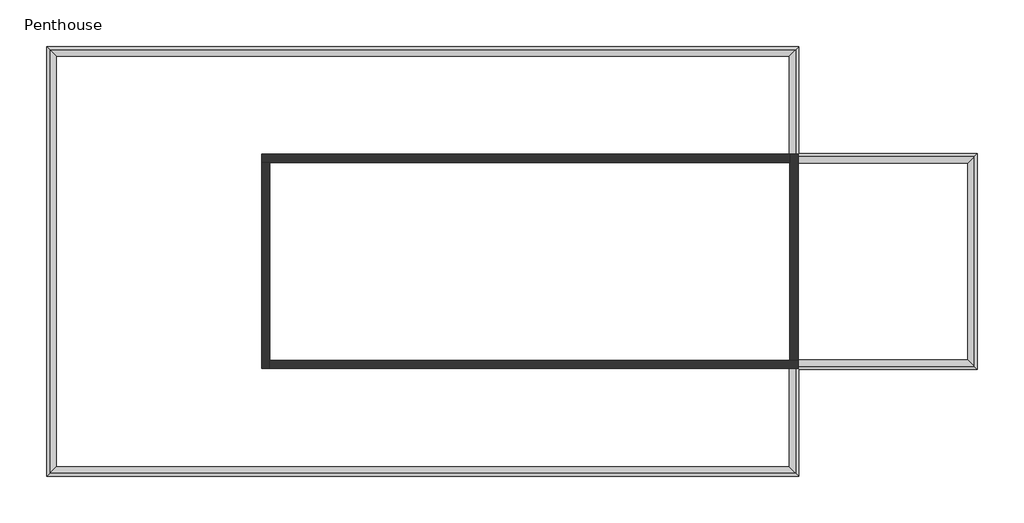
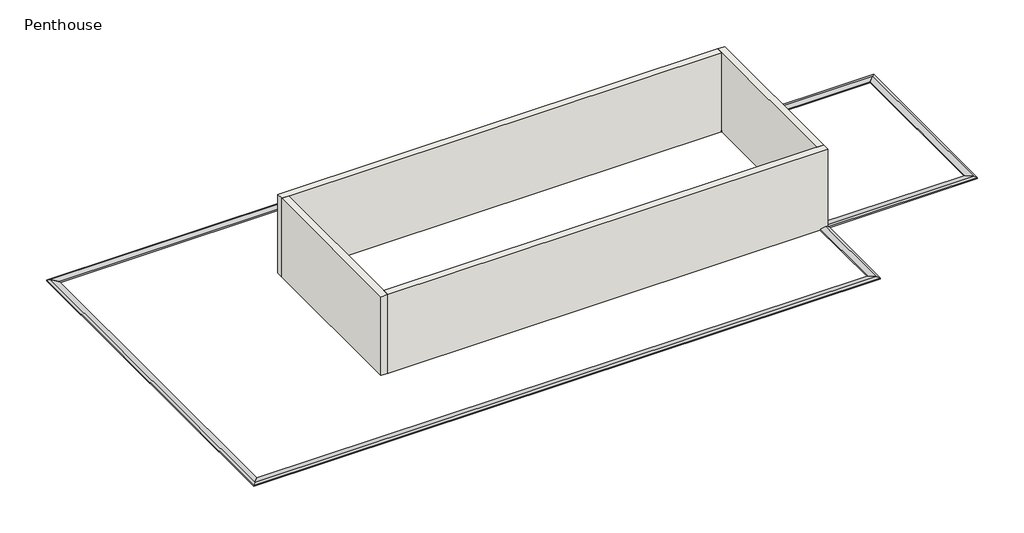
# One storey: 8 proxies, 4 walls.
"""IFC4 building model written with IfcOpenShell, lengths in millimetres."""

from ifc_helpers import new_model, si_unit, origin, place, context, project, spatial, faceted_brep, element, save

model = new_model("IFC4")

# Units and contexts
model_context = context("Model", 3, world=origin())
ifc_project = project(units=[si_unit("LENGTHUNIT", "METRE", prefix="MILLI")], contexts=[model_context])

# Site, building, storey
site = spatial("IfcSite", under=ifc_project)
building = spatial("IfcBuilding", under=site)
storey = spatial("IfcBuildingStorey", under=building, Name="Penthouse", Elevation=11582.4)

# Proxies
placement = place(None, origin())
element("IfcBuildingElementProxy", 1, Name="Wall Sweeps", at=placement, inside=storey, context=model_context, shape_type="Brep", body=[
    faceted_brep([(-19040.0041998, 10040.3613972, 11645.9), (-19040.0041998, 10040.3613972, 11582.4), (-19446.4041998, 10446.7613972, 11582.4), (-19446.4041998, 10446.7613972, 11645.9), (-19319.4041998, 10319.7613972, 11684.0), (-19040.0041998, -7485.6386028, 11645.9), (-19319.4041998, -7765.0386028, 11684.0), (-19446.4041998, -7892.0386028, 11645.9), (-19446.4041998, -7892.0386028, 11582.4), (-19040.0041998, -7485.6386028, 11582.4)], [[[0, 1, 2, 3, 4]], [[5, 6, 7, 8, 9]], [[0, 4, 6, 5]], [[4, 3, 7, 6]], [[3, 2, 8, 7]], [[2, 1, 9, 8]], [[1, 0, 5, 9]]]),
])
element("IfcBuildingElementProxy", 2, Name="Wall Sweeps", at=placement, inside=storey, context=model_context, shape_type="Brep", body=[
    faceted_brep([(-19040.0041998, -7485.6386028, 11645.9), (-19040.0041998, -7485.6386028, 11582.4), (-19446.4041998, -7892.0386028, 11582.4), (-19446.4041998, -7892.0386028, 11645.9), (-19319.4041998, -7765.0386028, 11684.0), (12201.9958002, -7485.6386028, 11645.9), (12481.3958002, -7765.0386028, 11684.0), (12608.3958002, -7892.0386028, 11645.9), (12608.3958002, -7892.0386028, 11582.4), (12201.9958002, -7485.6386028, 11582.4)], [[[0, 1, 2, 3, 4]], [[5, 6, 7, 8, 9]], [[0, 4, 6, 5]], [[4, 3, 7, 6]], [[3, 2, 8, 7]], [[2, 1, 9, 8]], [[1, 0, 5, 9]]]),
])
element("IfcBuildingElementProxy", 3, Name="Wall Sweeps", at=placement, inside=storey, context=model_context, shape_type="Brep", body=[
    faceted_brep([(12201.9958002, -7485.6386028, 11645.9), (12201.9958002, -7485.6386028, 11582.4), (12608.3958002, -7892.0386028, 11582.4), (12608.3958002, -7892.0386028, 11645.9), (12481.3958002, -7765.0386028, 11684.0), (12201.9958002, -2913.6386028, 11645.9), (12481.3958002, -3193.0386028, 11684.0), (12608.3958002, -3320.0386028, 11645.9), (12608.3958002, -3320.0386028, 11582.4), (12201.9958002, -2913.6386028, 11582.4)], [[[0, 1, 2, 3, 4]], [[5, 6, 7, 8, 9]], [[0, 4, 6, 5]], [[4, 3, 7, 6]], [[3, 2, 8, 7]], [[2, 1, 9, 8]], [[1, 0, 5, 9]]]),
])
element("IfcBuildingElementProxy", 4, Name="Wall Sweeps", at=placement, inside=storey, context=model_context, shape_type="Brep", body=[
    faceted_brep([(12201.9958002, -2913.6386028, 11645.9), (12201.9958002, -2913.6386028, 11582.4), (12608.3958002, -3320.0386028, 11582.4), (12608.3958002, -3320.0386028, 11645.9), (12481.3958002, -3193.0386028, 11684.0), (19821.9958002, -2913.6386028, 11645.9), (20101.3958002, -3193.0386028, 11684.0), (20228.3958002, -3320.0386028, 11645.9), (20228.3958002, -3320.0386028, 11582.4), (19821.9958002, -2913.6386028, 11582.4)], [[[0, 1, 2, 3, 4]], [[5, 6, 7, 8, 9]], [[0, 4, 6, 5]], [[4, 3, 7, 6]], [[3, 2, 8, 7]], [[2, 1, 9, 8]], [[1, 0, 5, 9]]]),
])
element("IfcBuildingElementProxy", 5, Name="Wall Sweeps", at=placement, inside=storey, context=model_context, shape_type="Brep", body=[
    faceted_brep([(19821.9958002, -2913.6386028, 11645.9), (19821.9958002, -2913.6386028, 11582.4), (20228.3958002, -3320.0386028, 11582.4), (20228.3958002, -3320.0386028, 11645.9), (20101.3958002, -3193.0386028, 11684.0), (19821.9958002, 5468.3613972, 11645.9), (20101.3958002, 5747.7613972, 11684.0), (20228.3958002, 5874.7613972, 11645.9), (20228.3958002, 5874.7613972, 11582.4), (19821.9958002, 5468.3613972, 11582.4)], [[[0, 1, 2, 3, 4]], [[5, 6, 7, 8, 9]], [[0, 4, 6, 5]], [[4, 3, 7, 6]], [[3, 2, 8, 7]], [[2, 1, 9, 8]], [[1, 0, 5, 9]]]),
])
element("IfcBuildingElementProxy", 6, Name="Wall Sweeps", at=placement, inside=storey, context=model_context, shape_type="Brep", body=[
    faceted_brep([(19821.9958002, 5468.3613972, 11645.9), (19821.9958002, 5468.3613972, 11582.4), (20228.3958002, 5874.7613972, 11582.4), (20228.3958002, 5874.7613972, 11645.9), (20101.3958002, 5747.7613972, 11684.0), (12201.9958002, 5468.3613972, 11645.9), (12481.3958002, 5747.7613972, 11684.0), (12608.3958002, 5874.7613972, 11645.9), (12608.3958002, 5874.7613972, 11582.4), (12201.9958002, 5468.3613972, 11582.4)], [[[0, 1, 2, 3, 4]], [[5, 6, 7, 8, 9]], [[0, 4, 6, 5]], [[4, 3, 7, 6]], [[3, 2, 8, 7]], [[2, 1, 9, 8]], [[1, 0, 5, 9]]]),
])
element("IfcBuildingElementProxy", 7, Name="Wall Sweeps", at=placement, inside=storey, context=model_context, shape_type="Brep", body=[
    faceted_brep([(12201.9958002, 5468.3613972, 11645.9), (12201.9958002, 5468.3613972, 11582.4), (12608.3958002, 5874.7613972, 11582.4), (12608.3958002, 5874.7613972, 11645.9), (12481.3958002, 5747.7613972, 11684.0), (12201.9958002, 10040.3613972, 11645.9), (12481.3958002, 10319.7613972, 11684.0), (12608.3958002, 10446.7613972, 11645.9), (12608.3958002, 10446.7613972, 11582.4), (12201.9958002, 10040.3613972, 11582.4)], [[[0, 1, 2, 3, 4]], [[5, 6, 7, 8, 9]], [[0, 4, 6, 5]], [[4, 3, 7, 6]], [[3, 2, 8, 7]], [[2, 1, 9, 8]], [[1, 0, 5, 9]]]),
])
element("IfcBuildingElementProxy", 8, Name="Wall Sweeps", at=placement, inside=storey, context=model_context, shape_type="Brep", body=[
    faceted_brep([(12201.9958002, 10040.3613972, 11645.9), (12201.9958002, 10040.3613972, 11582.4), (12608.3958002, 10446.7613972, 11582.4), (12608.3958002, 10446.7613972, 11645.9), (12481.3958002, 10319.7613972, 11684.0), (-19040.0041998, 10040.3613972, 11645.9), (-19319.4041998, 10319.7613972, 11684.0), (-19446.4041998, 10446.7613972, 11645.9), (-19446.4041998, 10446.7613972, 11582.4), (-19040.0041998, 10040.3613972, 11582.4)], [[[0, 1, 2, 3, 4]], [[5, 6, 7, 8, 9]], [[0, 4, 6, 5]], [[4, 3, 7, 6]], [[3, 2, 8, 7]], [[2, 1, 9, 8]], [[1, 0, 5, 9]]]),
])

# Walls
element("IfcWall", 9, ObjectType="Exterior - Brick on Mtl. Stud", at=placement, inside=storey, context=model_context, shape_type="Brep", body=[
    faceted_brep([(-10277.0041998, 5496.9363972, 11582.4), (-9924.5791998, 5496.9363972, 11582.4), (12230.5708002, 5496.9363972, 11582.4), (12230.5708002, 5496.9363972, 15849.6), (-9924.5791998, 5496.9363972, 15849.6), (-10277.0041998, 5496.9363972, 15849.6), (-10277.0041998, 5849.3613972, 11582.4), (-10277.0041998, 5849.3613972, 15849.6), (12230.5708002, 5849.3613972, 15849.6), (12230.5708002, 5849.3613972, 11582.4)], [[[0, 1, 2, 3, 4, 5]], [[6, 7, 8, 9]], [[2, 1, 0, 6, 9]], [[5, 4, 3, 8, 7]], [[0, 5, 7, 6]], [[3, 2, 9, 8]]]),
])
element("IfcWall", 10, ObjectType="Exterior - Brick on Mtl. Stud", at=placement, inside=storey, context=model_context, shape_type="Brep", body=[
    faceted_brep([(-9924.5791998, -3294.6386028, 11582.4), (-9924.5791998, -2942.2136028, 11582.4), (-9924.5791998, 5496.9363972, 11582.4), (-9924.5791998, 5496.9363972, 15849.6), (-9924.5791998, -2942.2136028, 15849.6), (-9924.5791998, -3294.6386028, 15849.6), (-10277.0041998, -3294.6386028, 11582.4), (-10277.0041998, -3294.6386028, 15849.6), (-10277.0041998, 5496.9363972, 15849.6), (-10277.0041998, 5496.9363972, 11582.4)], [[[0, 1, 2, 3, 4, 5]], [[6, 7, 8, 9]], [[2, 1, 0, 6, 9]], [[5, 4, 3, 8, 7]], [[0, 5, 7, 6]], [[3, 2, 9, 8]]]),
])
element("IfcWall", 11, ObjectType="Exterior - Brick on Mtl. Stud", at=placement, inside=storey, context=model_context, shape_type="Brep", body=[
    faceted_brep([(12582.9958002, -2942.2136028, 11582.4), (12230.5708002, -2942.2136028, 11582.4), (-9924.5791998, -2942.2136028, 11582.4), (-9924.5791998, -2942.2136028, 15849.6), (12230.5708002, -2942.2136028, 15849.6), (12582.9958002, -2942.2136028, 15849.6), (12582.9958002, -3294.6386028, 11582.4), (12582.9958002, -3294.6386028, 15849.6), (-9924.5791998, -3294.6386028, 15849.6), (-9924.5791998, -3294.6386028, 11582.4)], [[[0, 1, 2, 3, 4, 5]], [[6, 7, 8, 9]], [[2, 1, 0, 6, 9]], [[5, 4, 3, 8, 7]], [[0, 5, 7, 6]], [[3, 2, 9, 8]]]),
])
element("IfcWall", 12, ObjectType="Exterior - Brick on Mtl. Stud", at=placement, inside=storey, context=model_context, shape_type="Brep", body=[
    faceted_brep([(12230.5708002, 5849.3613972, 11582.4), (12230.5708002, 5496.9363972, 11582.4), (12230.5708002, -2942.2136028, 11582.4), (12230.5708002, -2942.2136028, 15849.6), (12230.5708002, 5496.9363972, 15849.6), (12230.5708002, 5849.3613972, 15849.6), (12582.9958002, 5849.3613972, 11582.4), (12582.9958002, 5849.3613972, 15849.6), (12582.9958002, -2942.2136028, 15849.6), (12582.9958002, -2942.2136028, 11582.4)], [[[0, 1, 2, 3, 4, 5]], [[6, 7, 8, 9]], [[2, 1, 0, 6, 9]], [[5, 4, 3, 8, 7]], [[0, 5, 7, 6]], [[3, 2, 9, 8]]]),
])

save(model, "model.ifc")
